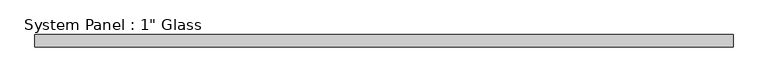
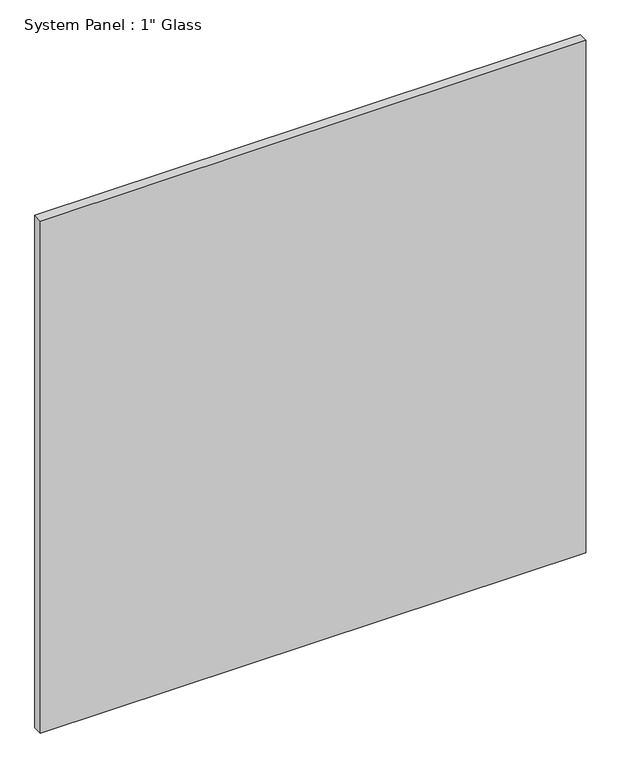
"""IFC4 building model written with IfcOpenShell, lengths in millimetres: plate geometry."""

from ifc_helpers import new_model, si_unit, origin, origin_with_axes, place, context, project, spatial, polyline, outline, extrude, source, transform, mapped, element, save


def plate_b9713287(model_context):
    return source(origin(), model_context, "Body", "SweptSolid", [
        extrude(outline(polyline([(717.5508852, -12.7), (-717.5508852, -12.7), (-717.5508852, 12.7), (717.5508852, 12.7), (717.5508852, -12.7)])), origin_with_axes(), (0.0, 0.0, 1.0), 1424.9417704),
    ])


if __name__ == "__main__":
    model = new_model("IFC4")
    model_context = context("Model", 3, world=origin())
    ifc_project = project(units=[si_unit("LENGTHUNIT", "METRE", prefix="MILLI")], contexts=[model_context])
    site = spatial("IfcSite", under=ifc_project)
    building = spatial("IfcBuilding", under=site)
    placement = place(None, origin())
    plate_shape = plate_b9713287(model_context)
    element("IfcPlate", 1, ObjectType="System Panel : 1\" Glass", at=placement, inside=building, context=model_context, shape_type="MappedRepresentation", body=[
        mapped(plate_shape, transform((0.0, 0.0, 0.0), x_axis=(1.0, 0.0, 0.0), y_axis=(0.0, 1.0, 0.0), z_axis=(0.0, 0.0, 1.0))),
    ])
    save(model, "model.ifc")
